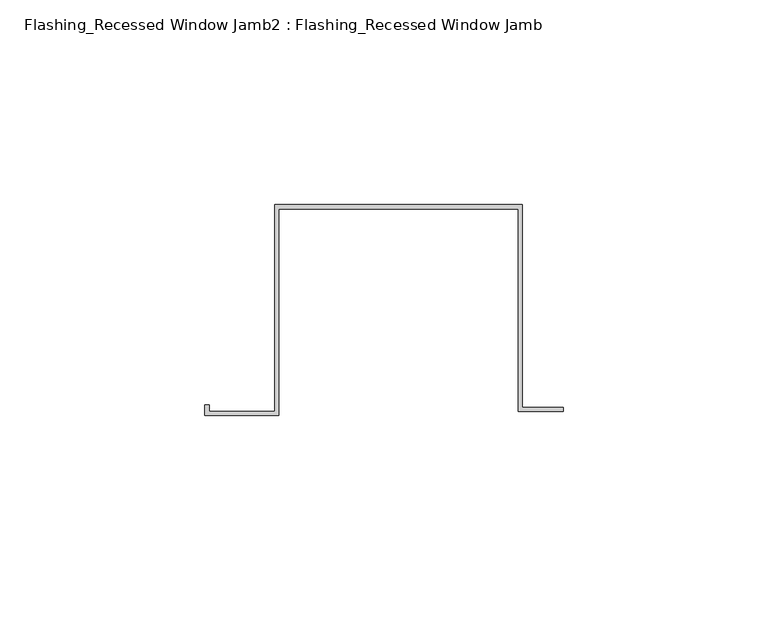
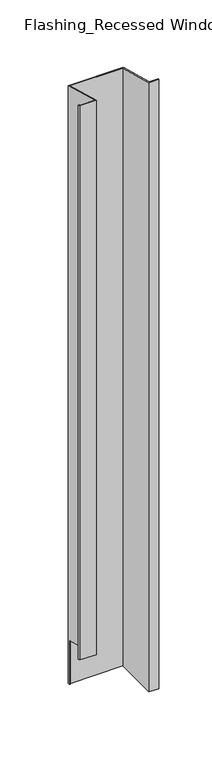
"""IFC4 building model written with IfcOpenShell, lengths in millimetres: proxy geometry, Flashing_Recessed Window Jamb2 : Flashing_Recessed Window Jamb."""

import ifcopenshell
import ifcopenshell.guid

model = None  # the IFC model being written
_history = None  # IfcOwnerHistory: only IFC2X3 demands one
_inside = {}  # id of a spatial element -> (the spatial element, [elements in it])
_under = {}  # id of a project, library or spatial element -> (it, [spatial elements below it])
_declared = {}  # id of a project -> (the project, [libraries it declares])
_typed = {}  # id of a type object -> (the type object, [elements of that type])
_made_of = {}  # id of a material, layer set ... -> (it, [elements and type objects made of it])


def new_model(schema):
    """Start an empty IFC model of exactly this schema.

    Asked for "IFC4X3", IfcOpenShell would pick the latest addendum, in which some entities
    have other attributes; the version numbers below select the first issue.
    IFC2X3 requires an IfcOwnerHistory on every rooted entity: one is made here for all.
    """
    global model, _history
    if schema == "IFC4X3":
        model = ifcopenshell.file(schema_version=(4, 3, 0, 0))
    else:
        model = ifcopenshell.file(schema=schema)
    _inside.clear()
    _under.clear()
    _declared.clear()
    _typed.clear()
    _made_of.clear()
    _history = None
    if model.schema == "IFC2X3":
        org = make("IfcOrganization", Name="unknown")
        user = make(
            "IfcPersonAndOrganization",
            ThePerson=make("IfcPerson", FamilyName="unknown"),
            TheOrganization=org,
        )
        app = make(
            "IfcApplication",
            ApplicationDeveloper=org,
            Version="unknown",
            ApplicationFullName="unknown",
            ApplicationIdentifier="unknown",
        )
        _history = make(
            "IfcOwnerHistory",
            OwningUser=user,
            OwningApplication=app,
            ChangeAction="ADDED",
            CreationDate=0,
        )
    return model


def make(cls, **values):
    """One entity of the class cls with the attributes given. An attribute that is None is left unset."""
    return model.create_entity(
        cls, **{name: value for name, value in values.items() if value is not None}
    )


def rooted(cls, **values):
    """An entity with a GlobalId (a new one), such as an element, a storey or a relation."""
    return make(cls, GlobalId=ifcopenshell.guid.new(), OwnerHistory=_history, **values)


def si_unit(unit_type, name, prefix=None):
    """IfcSIUnit, for example si_unit("LENGTHUNIT", "METRE", prefix="MILLI")."""
    return make("IfcSIUnit", UnitType=unit_type, Prefix=prefix, Name=name)


def assignment(units):
    """IfcUnitAssignment: the units of a project."""
    return None if units is None else make("IfcUnitAssignment", Units=units)


def point(xyz):
    """IfcCartesianPoint."""
    return None if xyz is None else make("IfcCartesianPoint", Coordinates=xyz)


def direction(xyz):
    """IfcDirection."""
    return None if xyz is None else make("IfcDirection", DirectionRatios=xyz)


def frame(location, z_axis=None, x_axis=None):
    """IfcAxis2Placement3D, a coordinate frame: its origin and axes. An axis left out is left unset."""
    return make(
        "IfcAxis2Placement3D",
        Location=point(location),
        Axis=direction(z_axis),
        RefDirection=direction(x_axis),
    )


def origin():
    """The frame at (0, 0, 0) with its axes left unset."""
    return frame((0.0, 0.0, 0.0))


def place(relative_to, where):
    """IfcLocalPlacement: puts the frame where relative to a parent placement (None: the world)."""
    return make(
        "IfcLocalPlacement", PlacementRelTo=relative_to, RelativePlacement=where
    )


def context(
    kind, dimensions, precision=None, world=None, true_north=None, identifier=None
):
    """IfcGeometricRepresentationContext, for example the 3D "Model" context."""
    return make(
        "IfcGeometricRepresentationContext",
        ContextIdentifier=identifier,
        ContextType=kind,
        CoordinateSpaceDimension=dimensions,
        Precision=precision,
        WorldCoordinateSystem=world,
        TrueNorth=true_north,
    )


def project(units=None, contexts=None):
    """IfcProject with its units and contexts."""
    return rooted(
        "IfcProject",
        Name="project",
        RepresentationContexts=contexts,
        UnitsInContext=assignment(units),
    )


def spatial(cls, under=None, at=None, **own):
    """A site, building, storey or space (cls), placed at a placement, below another one or the project."""
    s = rooted(cls, ObjectPlacement=at, **own)
    if under is not None:
        _under.setdefault(under.id(), (under, []))[1].append(s)
    return s


def faces_of(points, faces, orient=None, outer=None):
    """IfcFace entities. A face is a list of loops; a loop is a list of indices into points, from 0.

    orient and outer hold one flag for each loop. By default every Orientation is true, the
    first loop of a face is its IfcFaceOuterBound and the others are IfcFaceBound.
    """
    made = []
    for i, loops in enumerate(faces):
        bounds = []
        for j, loop in enumerate(loops):
            is_outer = j == 0 if outer is None else outer[i][j]
            bounds.append(
                make(
                    "IfcFaceOuterBound" if is_outer else "IfcFaceBound",
                    Bound=make("IfcPolyLoop", Polygon=[points[k] for k in loop]),
                    Orientation=True if orient is None else orient[i][j],
                )
            )
        made.append(make("IfcFace", Bounds=bounds))
    return made


def faceted_brep(points, faces, orient=None, outer=None, voids=None):
    """IfcFacetedBrep: a solid bounded by flat faces; with voids (closed shells), ...WithVoids."""
    shared = [point(p) for p in points]
    hull = make("IfcClosedShell", CfsFaces=faces_of(shared, faces, orient, outer))
    if voids is None:
        return make("IfcFacetedBrep", Outer=hull)
    return make(
        "IfcFacetedBrepWithVoids",
        Outer=hull,
        Voids=[
            make(cls, CfsFaces=faces_of(shared, fs, o, b)) for cls, fs, o, b in voids
        ],
    )


def shape(context_of_items, identifier, shape_type, items):
    """IfcShapeRepresentation: the items that make up one representation, for example the "Body"."""
    return make(
        "IfcShapeRepresentation",
        ContextOfItems=context_of_items,
        RepresentationIdentifier=identifier,
        RepresentationType=shape_type,
        Items=items,
    )


def source(mapping_origin, context_of_items, identifier, shape_type, items):
    """IfcRepresentationMap: a shape defined once, which mapped items show again and again."""
    return make(
        "IfcRepresentationMap",
        MappingOrigin=mapping_origin,
        MappedRepresentation=shape(context_of_items, identifier, shape_type, items),
    )


def transform(
    local_origin,
    x_axis=None,
    y_axis=None,
    z_axis=None,
    scale=None,
    scale2=None,
    scale3=None,
    uniform=True,
):
    """IfcCartesianTransformationOperator3D, or its non-uniform kind. x_axis, y_axis, z_axis: its Axis1, 2, 3."""
    if uniform:
        return make(
            "IfcCartesianTransformationOperator3D",
            Axis1=direction(x_axis),
            Axis2=direction(y_axis),
            LocalOrigin=point(local_origin),
            Scale=scale,
            Axis3=direction(z_axis),
        )
    return make(
        "IfcCartesianTransformationOperator3DnonUniform",
        Axis1=direction(x_axis),
        Axis2=direction(y_axis),
        LocalOrigin=point(local_origin),
        Scale=scale,
        Axis3=direction(z_axis),
        Scale2=scale2,
        Scale3=scale3,
    )


def mapped(mapping_source, mapping_target):
    """IfcMappedItem: shows the shape of a source again, moved by a transform."""
    return make(
        "IfcMappedItem", MappingSource=mapping_source, MappingTarget=mapping_target
    )


def made_of(thing, what):
    """Note that an element or type object is made of a material, layer set ...; save() writes the relation."""
    if what is not None:
        _made_of.setdefault(what.id(), (what, []))[1].append(thing)
    return thing


def element(
    cls,
    number,
    at=None,
    inside=None,
    cuts=None,
    type_object=None,
    material=None,
    context=None,
    identifier="Body",
    shape_type=None,
    held_by="IfcProductDefinitionShape",
    body=None,
    shapes=None,
    **own,
):
    """One element of the class cls, such as IfcWall. Its Tag is "e" and its number.

    at: its placement. inside: the storey or other place that contains it. cuts: it is an
    opening in that element (IfcRelVoidsElement). A single representation is given by context,
    identifier, shape_type and body (its items); several are given by shapes. held_by: the class
    of the entity that holds the representations. save() writes the other relations.
    """
    e = rooted(cls, Tag="e%d" % number, ObjectPlacement=at, **own)
    if body is not None:
        shapes = [shape(context, identifier, shape_type, body)]
    if shapes is not None:
        e.Representation = make(held_by, Representations=shapes)
    if inside is not None:
        _inside.setdefault(inside.id(), (inside, []))[1].append(e)
    if cuts is not None:
        rooted(
            "IfcRelVoidsElement", RelatingBuildingElement=cuts, RelatedOpeningElement=e
        )
    if type_object is not None:
        _typed.setdefault(type_object.id(), (type_object, []))[1].append(e)
    return made_of(e, material)


def aggregate(whole, parts):
    """IfcRelAggregates: a whole, such as a stair, and the parts it consists of."""
    return rooted("IfcRelAggregates", RelatingObject=whole, RelatedObjects=parts)


def save(model, path):
    """Write the relations noted so far, then the file.

    IfcRelAggregates (storeys below a building ...), IfcRelContainedInSpatialStructure (elements
    in a storey), IfcRelDefinesByType, IfcRelAssociatesMaterial and IfcRelDeclares: one each for
    every whole, place, type object, material and project.
    """
    for whole, parts in _under.values():
        aggregate(whole, parts)
    for where, things in _inside.values():
        rooted(
            "IfcRelContainedInSpatialStructure",
            RelatedElements=things,
            RelatingStructure=where,
        )
    for kind, things in _typed.values():
        rooted("IfcRelDefinesByType", RelatedObjects=things, RelatingType=kind)
    for what, things in _made_of.values():
        rooted("IfcRelAssociatesMaterial", RelatedObjects=things, RelatingMaterial=what)
    for by, libraries in _declared.values():
        rooted("IfcRelDeclares", RelatingContext=by, RelatedDefinitions=libraries)
    model.write(path)


def flashing_recessed_window_jamb2_flashing_recessed_window_jamb_490790b7(model_context):
    return source(origin(), model_context, "Body", "Brep", [
        faceted_brep([(9685.8470781, 608.2773812, -1036.7382524), (9685.8470781, 657.7344915, -1036.7382524), (9627.4791786, 657.7344915, -1036.7382524), (9627.4791786, 656.8026399, -1036.7382524), (9626.4791786, 656.8026399, -1036.7382524), (9626.4791786, 658.7344915, -1036.7382524), (9686.8470781, 658.7344915, -1036.7382524), (9686.8470781, 609.2773812, -1036.7382524), (9696.8470781, 609.2773812, -1036.7382524), (9696.8470781, 608.2773812, -1036.7382524), (9686.8470781, 658.7344915, -343.2151173), (9686.8470781, 609.2773812, -329.9631245), (9626.4791786, 658.7344915, -343.2151173), (9626.4791786, 656.8026399, -985.662203), (9626.4791786, 608.2990096, -972.6656945), (9626.4791786, 608.2990096, -329.7009707), (9610.4479286, 608.2990096, -329.7009707), (9610.4479286, 608.2990096, -972.6656945), (9610.4479286, 609.8434881, -330.1148124), (9610.4479286, 609.8434881, -973.0795362), (9609.4479286, 609.8434881, -330.1148124), (9609.4479286, 609.8434881, -973.0795362), (9609.4479286, 607.2990096, -329.4330215), (9609.4479286, 607.2990096, -972.3977453), (9627.4791786, 607.2990096, -329.4330215), (9627.4791786, 607.2990096, -972.3977453), (9627.4791786, 657.7344915, -342.9471681), (9627.4791786, 656.8026399, -985.662203), (9685.8470781, 657.7344915, -342.9471681), (9685.8470781, 608.2773812, -329.6951754), (9696.8470781, 608.2773812, -329.6951754), (9696.8470781, 609.2773812, -329.9631245)], [[[0, 1, 2, 3, 4, 5, 6, 7, 8, 9]], [[7, 6, 10, 11]], [[6, 5, 12, 10]], [[12, 5, 4, 13, 14, 15]], [[16, 15, 14, 17]], [[18, 16, 17, 19]], [[20, 18, 19, 21]], [[22, 20, 21, 23]], [[24, 22, 23, 25]], [[2, 26, 24, 25, 27, 3]], [[2, 1, 28, 26]], [[1, 0, 29, 28]], [[11, 10, 12, 15, 16, 18, 20, 22, 24, 26, 28, 29, 30, 31]], [[0, 9, 30, 29]], [[9, 8, 31, 30]], [[8, 7, 11, 31]], [[13, 27, 25, 23, 21, 19, 17, 14]], [[27, 13, 4, 3]]]),
    ])


if __name__ == "__main__":
    model = new_model("IFC4")
    model_context = context("Model", 3, world=origin())
    ifc_project = project(units=[si_unit("LENGTHUNIT", "METRE", prefix="MILLI")], contexts=[model_context])
    site = spatial("IfcSite", under=ifc_project)
    building = spatial("IfcBuilding", under=site)
    placement = place(None, origin())
    flashing_recessed_window_jamb2_flashing_recessed_window_jamb_shape = flashing_recessed_window_jamb2_flashing_recessed_window_jamb_490790b7(model_context)
    element("IfcBuildingElementProxy", 1, Name="Flashing_Recessed Window Jamb2 : Flashing_Recessed Window Jamb", ObjectType="Flashing_Recessed Window Jamb2 : Flashing_Recessed Window Jamb", at=placement, inside=building, context=model_context, shape_type="MappedRepresentation", body=[
        mapped(flashing_recessed_window_jamb2_flashing_recessed_window_jamb_shape, transform((0.0, 0.0, 0.0), x_axis=(1.0, 0.0, 0.0), y_axis=(0.0, 1.0, 0.0), z_axis=(0.0, 0.0, 1.0))),
    ])
    save(model, "model.ifc")
